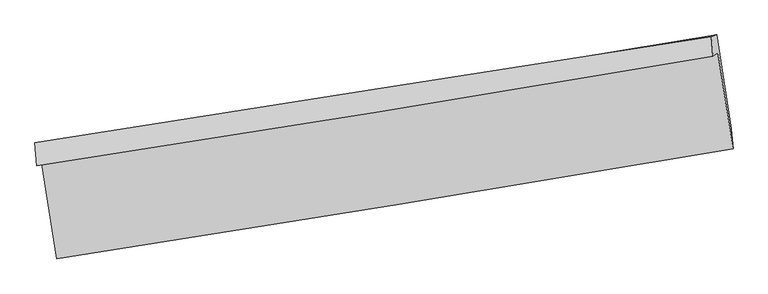
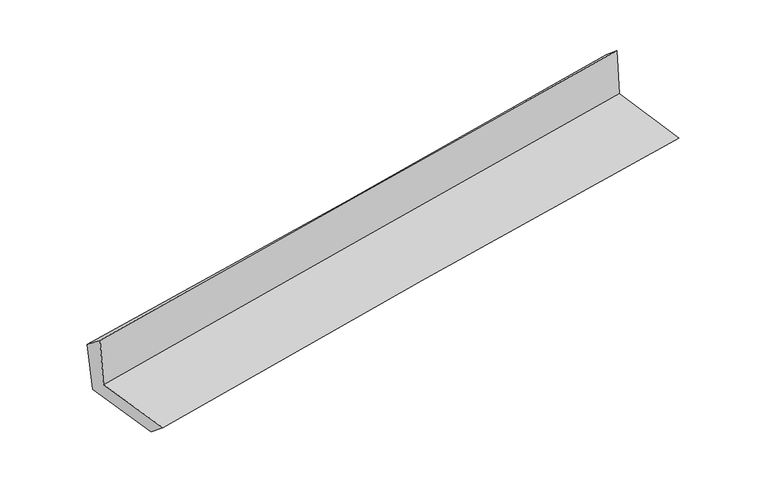
"""IFC4 building model written with IfcOpenShell, lengths in millimetres: proxy geometry."""

from ifc_helpers import new_model, si_unit, frame, origin, place, context, project, spatial, source, transform, mapped, element, save
from ifc_brep_helpers import plane_surface, spline_curve, spline_surface, advanced_brep


def generic_models_4d7a5967(model_context):
    return source(origin(), model_context, "Body", "AdvancedBrep", [
        advanced_brep(
        [(-2367.6450247, -1875.7098124, 1677.459142), (-2264.0877291, -2536.355598, 1669.1867408), (2416.3125428, -1772.2963572, 2079.2000943), (2310.9868858, -1108.7621446, 2102.2986698), (-2403.9228391, -1891.2136894, 2084.3490371), (2276.7147733, -1131.7300395, 2500.291695), (-2416.6978721, -1731.5686579, 1957.5219631), (2266.6803235, -998.2579691, 2387.6479644), (-2377.7303387, -1738.3831338, 1558.8577177), (2302.0406925, -985.548666, 1994.9785562), (-2275.1962144, -2390.2553808, 1546.9922721), (2403.8950453, -1633.6575204, 1983.1737038)],
        [
            (0, 1),
            (1, 2, spline_curve(3, [(-2264.0877291, -2536.355598, 1669.1867408), (-1481.387149234, -2413.755239986, 1753.576743592), (-698.380272573, -2288.507715102, 1830.048821308), (861.758204074, -2033.77763244, 1966.589320481), (1638.884751452, -1904.338743484, 2026.788360362), (2416.3125428, -1772.2963572, 2079.2000943)], [4, 2, 4], [0.0, 7.841313487908721, 15.617680514613824])),
            (2, 3),
            (3, 0, spline_curve(3, [(2310.9868858, -1108.7621446, 2102.2986698), (1534.98481773, -1245.521229795, 2042.445803611), (758.720236596, -1377.566979693, 1977.285465102), (-800.819330115, -1633.295260678, 1835.761313059), (-1584.098719445, -1756.898733321, 1759.30847532), (-2367.6450247, -1875.7098124, 1677.459142)], [4, 2, 4], [0.0, 7.776367026705103, 15.617680514613824])),
            (4, 0),
            (3, 5),
            (5, 4, spline_curve(3, [(2276.7147733, -1131.7300395, 2500.291695), (1500.006515785, -1264.63607277, 2441.568206547), (723.221617107, -1394.130446288, 2377.710157713), (-836.989634843, -1647.348887661, 2239.148728395), (-1620.417273554, -1771.015730907, 2164.35922477), (-2403.9228391, -1891.2136894, 2084.3490371)], [4, 2, 4], [0.0, 7.776305771475219, 15.61755749256421])),
            (6, 4),
            (5, 7),
            (7, 6, spline_curve(3, [(2266.6803235, -998.2579691, 2387.6479644), (1490.249783054, -1118.56217738, 2305.367543153), (713.377833851, -1239.566458195, 2228.509911326), (-847.740827469, -1483.991612078, 2085.043619607), (-1631.994943465, -1607.424227308, 2018.525917548), (-2416.6978721, -1731.5686579, 1957.5219631)], [4, 2, 4], [0.0, 7.775882072892885, 15.616706556764669])),
            (8, 6),
            (7, 9),
            (9, 8, spline_curve(3, [(2302.0406925, -985.548666, 1994.9785562), (1525.794004827, -1115.318685918, 1926.241845442), (749.312466499, -1242.689032716, 1855.688806276), (-810.607271167, -1493.674105522, 1710.345659112), (-1594.049409935, -1617.24858162, 1635.525085338), (-2377.7303387, -1738.3831338, 1558.8577177)], [4, 2, 4], [0.0, 7.775836626901759, 15.616615285227763])),
            (10, 8),
            (9, 11),
            (11, 10, spline_curve(3, [(2403.8950453, -1633.6575204, 1983.1737038), (1627.417953136, -1761.868875342, 1914.466693193), (850.876910924, -1888.767661726, 1843.923558424), (-708.819103233, -2140.988964601, 1698.560545753), (-1491.975147411, -2266.28946508, 1623.709869895), (-2275.1962144, -2390.2553808, 1546.9922721)], [4, 2, 4], [0.0, 7.775857796709451, 15.6166578016486])),
            (1, 10),
            (11, 2),
        ],
        [
            spline_surface(3, 3, [[(-2367.6450247, -1875.7098124, 1677.459142), (-1584.098719372, -1756.898733266, 1759.308475437), (-800.819330238, -1633.295260577, 1835.761313032), (758.720236718, -1377.566979793, 1977.28546513), (1534.984817753, -1245.521229871, 2042.445803491), (2310.9868858, -1108.7621446, 2102.2986698)], [(-2333.125926172, -2095.925074259, 1674.701674917), (-1549.861529332, -1975.850902184, 1757.397898137), (-766.672977738, -1851.699412107, 1833.857149147), (793.066225839, -1596.303863976, 1973.720083546), (1569.618129013, -1465.12706778, 2037.226655794), (2346.095438126, -1329.940215475, 2094.599144621)], [(-2298.606827628, -2316.140336141, 1671.944207883), (-1515.624339275, -2194.803071126, 1755.487320887), (-732.526625158, -2070.103563654, 1831.95298528), (827.412215038, -1815.040748176, 1970.15470198), (1604.251440294, -1684.732905665, 2032.007508132), (2381.203990474, -1551.118286325, 2086.899619479)], [(-2264.0877291, -2536.355598, 1669.1867408), (-1481.387149234, -2413.755240044, 1753.576743588), (-698.380272658, -2288.507715184, 1830.048821395), (861.758204159, -2033.777632358, 1966.589320395), (1638.884751555, -1904.338743574, 2026.788360435), (2416.3125428, -1772.2963572, 2079.2000943)]], [4, 4], [4, 2, 4], [0.0, 2.177682069957856], [0.0, 7.841313487908721, 15.617680514613824]),
            spline_surface(3, 3, [[(-2403.9228391, -1891.2136894, 2084.3490371), (-1620.417273635, -1771.015730893, 2164.359224742), (-836.989634827, -1647.348887686, 2239.148728514), (723.221617091, -1394.130446263, 2377.710157596), (1500.006515796, -1264.636072823, 2441.568206513), (2276.7147733, -1131.7300395, 2500.291695)], [(-2391.830234298, -1886.045730411, 1948.719072058), (-1608.311088879, -1766.310065028, 2029.342308298), (-824.932866609, -1642.664345336, 2104.686256666), (735.054490321, -1388.609290792, 2244.235260087), (1511.665949805, -1258.264458517, 2308.527405513), (2288.138810823, -1124.074074544, 2367.627353274)], [(-2379.737629502, -1880.877771389, 1813.089107042), (-1596.204904128, -1761.60439913, 1894.325391881), (-812.876098455, -1637.979802928, 1970.223784879), (746.887363488, -1383.088135264, 2110.760362639), (1523.325383744, -1251.892844177, 2175.486604491), (2299.562848277, -1116.418109556, 2234.963011526)], [(-2367.6450247, -1875.7098124, 1677.459142), (-1584.098719372, -1756.898733266, 1759.308475437), (-800.819330238, -1633.295260577, 1835.761313032), (758.720236718, -1377.566979793, 1977.28546513), (1534.984817753, -1245.521229871, 2042.445803491), (2310.9868858, -1108.7621446, 2102.2986698)]], [4, 4], [4, 2, 4], [0.0, 1.3248124506203487], [0.0, 7.841251721088991, 15.61755749256421]),
            spline_surface(3, 3, [[(-2416.6978721, -1731.5686579, 1957.5219631), (-1631.99494347, -1607.424227421, 2018.525917463), (-847.74082747, -1483.991612015, 2085.043619534), (713.377833852, -1239.566458258, 2228.509911398), (1490.249783046, -1118.56217743, 2305.367543058), (2266.6803235, -998.2579691, 2387.6479644)], [(-2412.439527746, -1784.783668373, 1999.797654462), (-1628.135720171, -1661.954728551, 2067.137019917), (-844.157096605, -1538.444037245, 2136.411989221), (716.659094915, -1291.087787599, 2278.243326825), (1493.50202729, -1167.253475889, 2350.767764192), (2270.025140094, -1042.748659228, 2425.195874582)], [(-2408.181183454, -1837.998678927, 2042.073345738), (-1624.276496934, -1716.485229763, 2115.748122287), (-840.573365691, -1592.896462457, 2187.780358826), (719.940356028, -1342.609116922, 2327.976742169), (1496.754271552, -1215.944774364, 2396.167985379), (2273.369956706, -1087.239349372, 2462.743784818)], [(-2403.9228391, -1891.2136894, 2084.3490371), (-1620.417273635, -1771.015730893, 2164.359224742), (-836.989634827, -1647.348887686, 2239.148728514), (723.221617091, -1394.130446263, 2377.710157596), (1500.006515796, -1264.636072823, 2441.568206513), (2276.7147733, -1131.7300395, 2500.291695)]], [4, 4], [4, 2, 4], [0.0, 0.7217155126838656], [0.0, 7.840824483871784, 15.616706556764669]),
            spline_surface(3, 3, [[(-2377.7303387, -1738.3831338, 1558.8577177), (-1594.049410015, -1617.248581647, 1635.525085468), (-810.607271256, -1493.674105647, 1710.345659186), (749.312466588, -1242.689032592, 1855.688806203), (1525.794004899, -1115.318686015, 1926.241845316), (2302.0406925, -985.548666, 1994.9785562)], [(-2390.719516515, -1736.111641841, 1691.745799496), (-1606.697921182, -1613.973796913, 1763.192029463), (-822.98512333, -1490.446607764, 1835.244979272), (737.334255673, -1241.648174475, 1979.962507904), (1513.945930938, -1116.399849823, 2052.61707791), (2290.253902823, -989.78510037, 2125.868358947)], [(-2403.708694285, -1733.840149859, 1824.633881304), (-1619.346432303, -1610.699012155, 1890.858973468), (-835.362975396, -1487.219109898, 1960.144299448), (725.356044767, -1240.607316375, 2104.236209696), (1502.097857007, -1117.481013622, 2178.992310464), (2278.467113177, -994.02153473, 2256.758161653)], [(-2416.6978721, -1731.5686579, 1957.5219631), (-1631.99494347, -1607.424227421, 2018.525917463), (-847.74082747, -1483.991612015, 2085.043619534), (713.377833852, -1239.566458258, 2228.509911398), (1490.249783046, -1118.56217743, 2305.367543058), (2266.6803235, -998.2579691, 2387.6479644)]], [4, 4], [4, 2, 4], [0.0, 1.2322982761373908], [0.0, 7.840778658326004, 15.616615285227763]),
            spline_surface(3, 3, [[(-2275.1962144, -2390.2553808, 1546.9922721), (-1491.975147415, -2266.28946511, 1623.709869852), (-708.819103108, -2140.988964624, 1698.560545722), (850.8769108, -1888.767661703, 1843.923558455), (1627.417953072, -1761.868875412, 1914.466693099), (2403.8950453, -1633.6575204, 1983.1737038)], [(-2309.374255822, -2172.964631802, 1550.947420634), (-1525.999901604, -2049.942503958, 1627.648275058), (-742.748492487, -1925.217344957, 1702.488916904), (817.022096065, -1673.408118658, 1847.845307731), (1593.543303698, -1546.352145615, 1918.391743814), (2369.943594383, -1417.621235602, 1987.108654576)], [(-2343.552297278, -1955.673882798, 1554.902569166), (-1560.024655827, -1833.5955428, 1631.586680262), (-776.677881876, -1709.445725314, 1706.417288004), (783.167281322, -1458.048575637, 1851.767056926), (1559.668654274, -1330.835415812, 1922.316794601), (2335.992143417, -1201.584950798, 1991.043605424)], [(-2377.7303387, -1738.3831338, 1558.8577177), (-1594.049410015, -1617.248581647, 1635.525085468), (-810.607271256, -1493.674105647, 1710.345659186), (749.312466588, -1242.689032592, 1855.688806203), (1525.794004899, -1115.318686015, 1926.241845316), (2302.0406925, -985.548666, 1994.9785562)]], [4, 4], [4, 2, 4], [0.0, 2.14813683158178], [0.0, 7.840800004939149, 15.6166578016486]),
            spline_surface(3, 3, [[(-2264.0877291, -2536.355598, 1669.1867408), (-1481.387149234, -2413.755240044, 1753.576743588), (-698.380272658, -2288.507715184, 1830.048821395), (861.758204159, -2033.777632358, 1966.589320395), (1638.884751555, -1904.338743574, 2026.788360435), (2416.3125428, -1772.2963572, 2079.2000943)], [(-2267.790557546, -2487.655525614, 1628.455251233), (-1484.916481974, -2364.599981746, 1710.287785675), (-701.859882786, -2239.334798325, 1786.219396172), (858.131106394, -1985.440975467, 1925.700733084), (1635.062485377, -1856.848787501, 1989.347804689), (2412.17337695, -1726.083411581, 2047.191297499)], [(-2271.493385954, -2438.955453186, 1587.723761667), (-1488.445814676, -2315.444723407, 1666.998827764), (-705.339492979, -2190.161881484, 1742.389970945), (854.504008565, -1937.104318594, 1884.812145767), (1631.24021925, -1809.358831486, 1951.907248845), (2408.03421115, -1679.870466019, 2015.182500601)], [(-2275.1962144, -2390.2553808, 1546.9922721), (-1491.975147415, -2266.28946511, 1623.709869852), (-708.819103108, -2140.988964624, 1698.560545722), (850.8769108, -1888.767661703, 1843.923558455), (1627.417953072, -1761.868875412, 1914.466693099), (2403.8950453, -1633.6575204, 1983.1737038)]], [4, 4], [4, 2, 4], [0.0, 0.636751007317409], [0.0, 7.84095950829316, 15.61697548725418]),
            plane_surface(frame((2329.4383772, -1271.7087828, 2174.5984472), z_axis=(0.9838035186550348, 0.15290706643658147, 0.09354178593405008), x_axis=(-0.08964176372753567, -0.03221924368193417, 0.9954527987465709))),
            plane_surface(frame((-2350.880003, -2027.2477121, 1749.0611455), z_axis=(-0.9837828966915181, -0.15303822939070208, -0.09354417417565321), x_axis=(-0.15484876962723046, 0.9878607439466754, 0.01236968528516423))),
        ],
        [
            (0, [[1, 2, 3, 4]]),
            (1, [[5, -4, 6, 7]]),
            (2, [[8, -7, 9, 10]]),
            (3, [[11, -10, 12, 13]]),
            (4, [[14, -13, 15, 16]]),
            (5, [[17, -16, 18, -2]]),
            (6, [[-12, -9, -6, -3, -18, -15]]),
            (7, [[-1, -5, -8, -11, -14, -17]]),
        ],
    ),
    ])


if __name__ == "__main__":
    model = new_model("IFC4")
    model_context = context("Model", 3, world=origin())
    ifc_project = project(units=[si_unit("LENGTHUNIT", "METRE", prefix="MILLI")], contexts=[model_context])
    site = spatial("IfcSite", under=ifc_project)
    building = spatial("IfcBuilding", under=site)
    placement = place(None, origin())
    generic_models_shape = generic_models_4d7a5967(model_context)
    element("IfcBuildingElementProxy", 1, Name="Generic Models", at=placement, inside=building, context=model_context, shape_type="MappedRepresentation", body=[
        mapped(generic_models_shape, transform((0.0, 0.0, 0.0), x_axis=(1.0, 0.0, 0.0), y_axis=(0.0, 1.0, 0.0), z_axis=(0.0, 0.0, 1.0))),
    ])
    save(model, "model.ifc")
